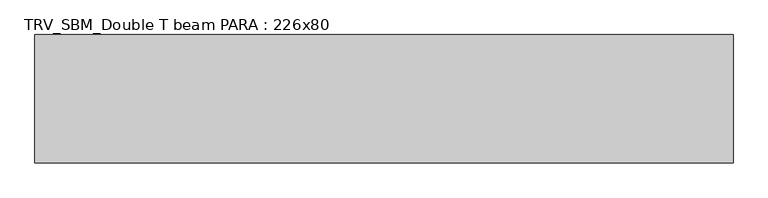
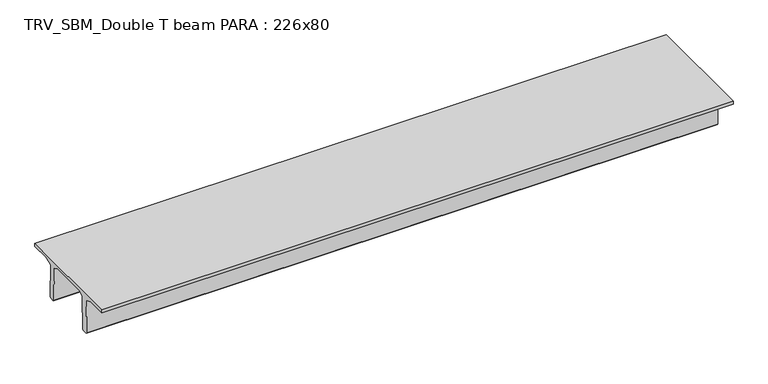
"""IFC4 building model written with IfcOpenShell, lengths in millimetres: beam geometry, TRV_SBM_Double T beam PARA : 226x80."""

import ifcopenshell
import ifcopenshell.guid

model = None  # the IFC model being written
_history = None  # IfcOwnerHistory: only IFC2X3 demands one
_inside = {}  # id of a spatial element -> (the spatial element, [elements in it])
_under = {}  # id of a project, library or spatial element -> (it, [spatial elements below it])
_declared = {}  # id of a project -> (the project, [libraries it declares])
_typed = {}  # id of a type object -> (the type object, [elements of that type])
_made_of = {}  # id of a material, layer set ... -> (it, [elements and type objects made of it])


def new_model(schema):
    """Start an empty IFC model of exactly this schema.

    Asked for "IFC4X3", IfcOpenShell would pick the latest addendum, in which some entities
    have other attributes; the version numbers below select the first issue.
    IFC2X3 requires an IfcOwnerHistory on every rooted entity: one is made here for all.
    """
    global model, _history
    if schema == "IFC4X3":
        model = ifcopenshell.file(schema_version=(4, 3, 0, 0))
    else:
        model = ifcopenshell.file(schema=schema)
    _inside.clear()
    _under.clear()
    _declared.clear()
    _typed.clear()
    _made_of.clear()
    _history = None
    if model.schema == "IFC2X3":
        org = make("IfcOrganization", Name="unknown")
        user = make(
            "IfcPersonAndOrganization",
            ThePerson=make("IfcPerson", FamilyName="unknown"),
            TheOrganization=org,
        )
        app = make(
            "IfcApplication",
            ApplicationDeveloper=org,
            Version="unknown",
            ApplicationFullName="unknown",
            ApplicationIdentifier="unknown",
        )
        _history = make(
            "IfcOwnerHistory",
            OwningUser=user,
            OwningApplication=app,
            ChangeAction="ADDED",
            CreationDate=0,
        )
    return model


def make(cls, **values):
    """One entity of the class cls with the attributes given. An attribute that is None is left unset."""
    return model.create_entity(
        cls, **{name: value for name, value in values.items() if value is not None}
    )


def rooted(cls, **values):
    """An entity with a GlobalId (a new one), such as an element, a storey or a relation."""
    return make(cls, GlobalId=ifcopenshell.guid.new(), OwnerHistory=_history, **values)


def si_unit(unit_type, name, prefix=None):
    """IfcSIUnit, for example si_unit("LENGTHUNIT", "METRE", prefix="MILLI")."""
    return make("IfcSIUnit", UnitType=unit_type, Prefix=prefix, Name=name)


def assignment(units):
    """IfcUnitAssignment: the units of a project."""
    return None if units is None else make("IfcUnitAssignment", Units=units)


def point(xyz):
    """IfcCartesianPoint."""
    return None if xyz is None else make("IfcCartesianPoint", Coordinates=xyz)


def direction(xyz):
    """IfcDirection."""
    return None if xyz is None else make("IfcDirection", DirectionRatios=xyz)


def frame(location, z_axis=None, x_axis=None):
    """IfcAxis2Placement3D, a coordinate frame: its origin and axes. An axis left out is left unset."""
    return make(
        "IfcAxis2Placement3D",
        Location=point(location),
        Axis=direction(z_axis),
        RefDirection=direction(x_axis),
    )


def origin():
    """The frame at (0, 0, 0) with its axes left unset."""
    return frame((0.0, 0.0, 0.0))


def place(relative_to, where):
    """IfcLocalPlacement: puts the frame where relative to a parent placement (None: the world)."""
    return make(
        "IfcLocalPlacement", PlacementRelTo=relative_to, RelativePlacement=where
    )


def context(
    kind, dimensions, precision=None, world=None, true_north=None, identifier=None
):
    """IfcGeometricRepresentationContext, for example the 3D "Model" context."""
    return make(
        "IfcGeometricRepresentationContext",
        ContextIdentifier=identifier,
        ContextType=kind,
        CoordinateSpaceDimension=dimensions,
        Precision=precision,
        WorldCoordinateSystem=world,
        TrueNorth=true_north,
    )


def project(units=None, contexts=None):
    """IfcProject with its units and contexts."""
    return rooted(
        "IfcProject",
        Name="project",
        RepresentationContexts=contexts,
        UnitsInContext=assignment(units),
    )


def spatial(cls, under=None, at=None, **own):
    """A site, building, storey or space (cls), placed at a placement, below another one or the project."""
    s = rooted(cls, ObjectPlacement=at, **own)
    if under is not None:
        _under.setdefault(under.id(), (under, []))[1].append(s)
    return s


def polyline(points):
    """IfcPolyline through the points."""
    return make("IfcPolyline", Points=[point(p) for p in points])


def outline(outer, holes=None, kind="AREA"):
    """IfcArbitraryClosedProfileDef: a profile drawn as a closed curve; with holes, ...WithVoids."""
    if holes is None:
        return make("IfcArbitraryClosedProfileDef", ProfileType=kind, OuterCurve=outer)
    return make(
        "IfcArbitraryProfileDefWithVoids",
        ProfileType=kind,
        OuterCurve=outer,
        InnerCurves=holes,
    )


def extrude(swept, where, along, depth):
    """IfcExtrudedAreaSolid: the profile swept, set in the frame where, extruded along a direction by depth."""
    return make(
        "IfcExtrudedAreaSolid",
        SweptArea=swept,
        Position=where,
        ExtrudedDirection=direction(along),
        Depth=depth,
    )


def shape(context_of_items, identifier, shape_type, items):
    """IfcShapeRepresentation: the items that make up one representation, for example the "Body"."""
    return make(
        "IfcShapeRepresentation",
        ContextOfItems=context_of_items,
        RepresentationIdentifier=identifier,
        RepresentationType=shape_type,
        Items=items,
    )


def source(mapping_origin, context_of_items, identifier, shape_type, items):
    """IfcRepresentationMap: a shape defined once, which mapped items show again and again."""
    return make(
        "IfcRepresentationMap",
        MappingOrigin=mapping_origin,
        MappedRepresentation=shape(context_of_items, identifier, shape_type, items),
    )


def transform(
    local_origin,
    x_axis=None,
    y_axis=None,
    z_axis=None,
    scale=None,
    scale2=None,
    scale3=None,
    uniform=True,
):
    """IfcCartesianTransformationOperator3D, or its non-uniform kind. x_axis, y_axis, z_axis: its Axis1, 2, 3."""
    if uniform:
        return make(
            "IfcCartesianTransformationOperator3D",
            Axis1=direction(x_axis),
            Axis2=direction(y_axis),
            LocalOrigin=point(local_origin),
            Scale=scale,
            Axis3=direction(z_axis),
        )
    return make(
        "IfcCartesianTransformationOperator3DnonUniform",
        Axis1=direction(x_axis),
        Axis2=direction(y_axis),
        LocalOrigin=point(local_origin),
        Scale=scale,
        Axis3=direction(z_axis),
        Scale2=scale2,
        Scale3=scale3,
    )


def mapped(mapping_source, mapping_target):
    """IfcMappedItem: shows the shape of a source again, moved by a transform."""
    return make(
        "IfcMappedItem", MappingSource=mapping_source, MappingTarget=mapping_target
    )


def made_of(thing, what):
    """Note that an element or type object is made of a material, layer set ...; save() writes the relation."""
    if what is not None:
        _made_of.setdefault(what.id(), (what, []))[1].append(thing)
    return thing


def element(
    cls,
    number,
    at=None,
    inside=None,
    cuts=None,
    type_object=None,
    material=None,
    context=None,
    identifier="Body",
    shape_type=None,
    held_by="IfcProductDefinitionShape",
    body=None,
    shapes=None,
    **own,
):
    """One element of the class cls, such as IfcWall. Its Tag is "e" and its number.

    at: its placement. inside: the storey or other place that contains it. cuts: it is an
    opening in that element (IfcRelVoidsElement). A single representation is given by context,
    identifier, shape_type and body (its items); several are given by shapes. held_by: the class
    of the entity that holds the representations. save() writes the other relations.
    """
    e = rooted(cls, Tag="e%d" % number, ObjectPlacement=at, **own)
    if body is not None:
        shapes = [shape(context, identifier, shape_type, body)]
    if shapes is not None:
        e.Representation = make(held_by, Representations=shapes)
    if inside is not None:
        _inside.setdefault(inside.id(), (inside, []))[1].append(e)
    if cuts is not None:
        rooted(
            "IfcRelVoidsElement", RelatingBuildingElement=cuts, RelatedOpeningElement=e
        )
    if type_object is not None:
        _typed.setdefault(type_object.id(), (type_object, []))[1].append(e)
    return made_of(e, material)


def aggregate(whole, parts):
    """IfcRelAggregates: a whole, such as a stair, and the parts it consists of."""
    return rooted("IfcRelAggregates", RelatingObject=whole, RelatedObjects=parts)


def save(model, path):
    """Write the relations noted so far, then the file.

    IfcRelAggregates (storeys below a building ...), IfcRelContainedInSpatialStructure (elements
    in a storey), IfcRelDefinesByType, IfcRelAssociatesMaterial and IfcRelDeclares: one each for
    every whole, place, type object, material and project.
    """
    for whole, parts in _under.values():
        aggregate(whole, parts)
    for where, things in _inside.values():
        rooted(
            "IfcRelContainedInSpatialStructure",
            RelatedElements=things,
            RelatingStructure=where,
        )
    for kind, things in _typed.values():
        rooted("IfcRelDefinesByType", RelatedObjects=things, RelatingType=kind)
    for what, things in _made_of.values():
        rooted("IfcRelAssociatesMaterial", RelatedObjects=things, RelatingMaterial=what)
    for by, libraries in _declared.values():
        rooted("IfcRelDeclares", RelatingContext=by, RelatedDefinitions=libraries)
    model.write(path)


def trv_sbm_double_t_beam_para_226x80_fc988d37(model_context):
    return source(origin(), model_context, "Body", "SweptSolid", [
        extrude(outline(polyline([(352.1399239, 205.988519), (-382.1399239, 205.988519), (-485.0, 144.18395), (-501.9262559, -520.5206011), (-521.4056548, -540.0), (-611.4056548, -540.0), (-631.9887932, -520.5206011), (-615.2025683, 140.6523122), (-776.9153545, 205.988519), (-1145.0, 205.988519), (-1145.0, 260.0), (1115.0, 260.0), (1115.0, 205.988519), (746.9153545, 205.988519), (585.2025683, 140.6523122), (601.9887932, -520.5206011), (581.4056548, -540.0), (491.4056548, -540.0), (471.9262559, -520.5206011), (455.0, 144.18395), (352.1399239, 205.988519)])), frame((-6341.0077912, 0.0, 0.0), z_axis=(1.0, 0.0, 0.0), x_axis=(0.0, 1.0, 0.0)), (0.0, 0.0, 1.0), 12301.9140597),
    ])


if __name__ == "__main__":
    model = new_model("IFC4")
    model_context = context("Model", 3, world=origin())
    ifc_project = project(units=[si_unit("LENGTHUNIT", "METRE", prefix="MILLI")], contexts=[model_context])
    site = spatial("IfcSite", under=ifc_project)
    building = spatial("IfcBuilding", under=site)
    placement = place(None, origin())
    trv_sbm_double_t_beam_para_226x80_shape = trv_sbm_double_t_beam_para_226x80_fc988d37(model_context)
    element("IfcBeam", 1, ObjectType="TRV_SBM_Double T beam PARA : 226x80", at=placement, inside=building, context=model_context, shape_type="MappedRepresentation", body=[
        mapped(trv_sbm_double_t_beam_para_226x80_shape, transform((0.0, 0.0, 0.0), x_axis=(1.0, 0.0, 0.0), y_axis=(0.0, 1.0, 0.0), z_axis=(0.0, 0.0, 1.0))),
    ])
    save(model, "model.ifc")
